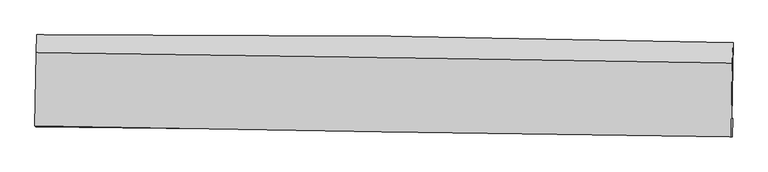
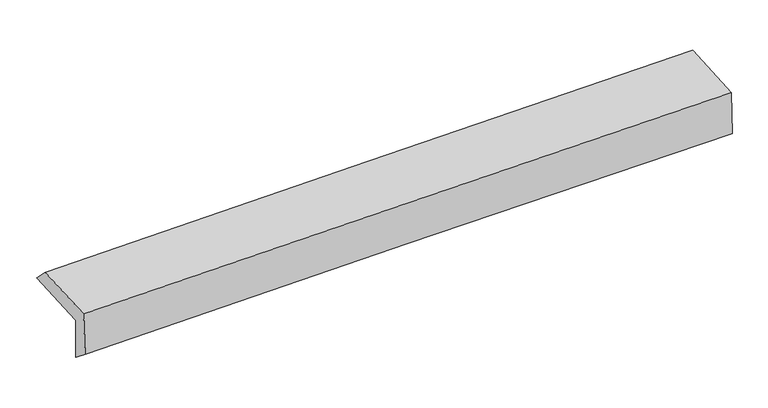
"""IFC4 building model written with IfcOpenShell, lengths in millimetres: proxy geometry."""

from ifc_helpers import new_model, si_unit, frame, origin, place, context, project, spatial, source, transform, mapped, element, save
from ifc_brep_helpers import plane_surface, spline_curve, spline_surface, advanced_brep


def generic_models_a09acf34(model_context):
    return source(origin(), model_context, "Body", "AdvancedBrep", [
        advanced_brep(
        [(-3024.6283547, -1762.0329197, 1939.7903034), (-3014.8250103, -1105.6883013, 1962.3976585), (3013.0374713, -1172.3923056, 2112.116217), (3002.767683, -1837.5483518, 2104.4961885), (-3016.0735173, -1744.7401391, 1561.5082108), (3011.8022233, -1829.7004082, 1697.539961), (-3021.3819741, -1905.4720931, 1688.7585046), (3006.4988295, -1989.399672, 1825.2990046), (-3029.9927556, -1896.4606674, 2088.443352), (2997.4113856, -1993.3731931, 2237.447347), (-3020.507902, -1260.8649235, 2110.7278437), (3006.8688345, -1349.2304793, 2267.1075551)],
        [
            (0, 1),
            (1, 2, spline_curve(3, [(-3014.8250103, -1105.6883013, 1962.3976585), (-2009.83222851, -1102.521241849, 1981.511881175), (-1005.012489264, -1106.496416428, 2003.545584269), (1004.275002656, -1128.731168676, 2053.451804773), (2008.742757489, -1146.99066188, 2081.324287757), (3013.0374713, -1172.3923056, 2112.116217)], [4, 2, 4], [0.0, 9.892114727291279, 19.784171355057484])),
            (2, 3),
            (3, 0, spline_curve(3, [(3002.767683, -1837.5483518, 2104.4961885), (1998.510656606, -1821.058748106, 2065.597373948), (994.100615602, -1806.521006254, 2032.422499839), (-1015.031395153, -1781.349172425, 1977.520470732), (-2019.753366893, -1770.715103826, 1955.793383451), (-3024.6283547, -1762.0329197, 1939.7903034)], [4, 2, 4], [0.0, 9.892056627766205, 19.784171355057484])),
            (4, 0),
            (3, 5),
            (5, 4, spline_curve(3, [(3011.8022233, -1829.7004082, 1697.539961), (2007.305345612, -1808.488390611, 1672.978199733), (1002.735403686, -1790.802369715, 1649.361370525), (-1006.556508707, -1762.482238518, 1604.017442914), (-2011.278480748, -1751.848169743, 1582.290355163), (-3016.0735173, -1744.7401391, 1561.5082108)], [4, 2, 4], [0.0, 9.89188478061043, 19.783827659736616])),
            (6, 4),
            (5, 7),
            (7, 6, spline_curve(3, [(3006.4988295, -1989.399672, 1825.2990046), (2001.99942027, -1968.70399905, 1800.482868744), (997.42779076, -1951.362208345, 1776.696456252), (-1011.865809586, -1923.386309099, 1731.18294429), (-2016.587781146, -1912.752240432, 1709.45585674), (-3021.3819741, -1905.4720931, 1688.7585046)], [4, 2, 4], [0.0, 9.891793629447317, 19.783645356875027])),
            (8, 6),
            (7, 9),
            (9, 8, spline_curve(3, [(2997.4113856, -1993.3731931, 2237.447347), (1992.740425618, -1979.186739752, 2215.801311262), (988.122741956, -1964.017495692, 2192.56133475), (-1021.011972716, -1931.713332042, 2142.893355392), (-2025.529002525, -1914.578400787, 2116.465333139), (-3029.9927556, -1896.4606674, 2088.443352)], [4, 2, 4], [0.0, 9.891729957912741, 19.78351801343191])),
            (10, 8),
            (9, 11),
            (11, 10, spline_curve(3, [(3006.8688345, -1349.2304793, 2267.1075551), (2002.306439886, -1332.747334959, 2242.149325938), (997.745323041, -1317.141985313, 2216.638608951), (-1011.380255574, -1287.686789987, 2164.512044771), (-2015.944717684, -1273.836953951, 2137.896191802), (-3020.507902, -1260.8649235, 2110.7278437)], [4, 2, 4], [0.0, 9.891767623339236, 19.783593344506123])),
            (1, 10),
            (11, 2),
        ],
        [
            spline_surface(3, 3, [[(-3024.6283547, -1762.0329197, 1939.7903034), (-2019.7533668, -1770.715103695, 1955.793383309), (-1015.031395165, -1781.349172524, 1977.520470824), (994.100615613, -1806.521006155, 2032.422499747), (1998.510656527, -1821.05874802, 2065.59737396), (3002.767683, -1837.5483518, 2104.4961885)], [(-3021.360573217, -1543.25138025, 1947.326088448), (-2016.446320639, -1547.983816446, 1964.366215934), (-1011.691759874, -1556.398253852, 1986.19550864), (997.492077916, -1580.591060266, 2039.43226807), (2001.921356789, -1596.369386014, 2070.839678577), (3006.190945751, -1615.829669731, 2107.036198008)], [(-3018.092791783, -1324.46984075, 1954.861873452), (-2013.139274525, -1325.252529146, 1972.939048514), (-1008.352124502, -1331.447335233, 1994.870546484), (1000.883540299, -1354.661114431, 2046.442036419), (2005.332057097, -1371.680024015, 2076.08198317), (3009.614208549, -1394.110987669, 2109.576207492)], [(-3014.8250103, -1105.6883013, 1962.3976585), (-2009.832228364, -1102.521241897, 1981.511881139), (-1005.01248921, -1106.496416561, 2003.545584301), (1004.275002602, -1128.731168543, 2053.451804741), (2008.742757359, -1146.990662009, 2081.324287787), (3013.0374713, -1172.3923056, 2112.116217)]], [4, 4], [4, 2, 4], [0.0, 2.22049114624965], [0.0, 9.892114727291279, 19.784171355057484]),
            spline_surface(3, 3, [[(-3016.0735173, -1744.7401391, 1561.5082108), (-2011.278480585, -1751.848169722, 1582.290355292), (-1006.55650885, -1762.482238551, 1604.017442807), (1002.735403829, -1790.802369683, 1649.361370633), (2007.30534562, -1808.488390528, 1672.978199865), (3011.8022233, -1829.7004082, 1697.539961)], [(-3018.925129773, -1750.5043993, 1687.602241668), (-2014.103442663, -1758.137147713, 1706.791364632), (-1009.381470928, -1768.771216542, 1728.518452147), (999.857141117, -1796.041915173, 1777.048413672), (2004.373782587, -1812.678509682, 1803.851257891), (3008.790709865, -1832.31638939, 1833.192036827)], [(-3021.776742227, -1756.2686595, 1813.696272532), (-2016.928404722, -1764.426125704, 1831.292373969), (-1012.206433087, -1775.060194533, 1853.019461483), (996.978878325, -1801.281460664, 1904.735456708), (2001.442219559, -1816.868628866, 1934.724315934), (3005.779196435, -1834.93237061, 1968.844112673)], [(-3024.6283547, -1762.0329197, 1939.7903034), (-2019.7533668, -1770.715103695, 1955.793383309), (-1015.031395165, -1781.349172524, 1977.520470824), (994.100615613, -1806.521006155, 2032.422499747), (1998.510656527, -1821.05874802, 2065.59737396), (3002.767683, -1837.5483518, 2104.4961885)]], [4, 4], [4, 2, 4], [0.0, 1.2426959522853034], [0.0, 9.891942879126185, 19.783827659736616]),
            spline_surface(3, 3, [[(-3021.3819741, -1905.4720931, 1688.7585046), (-2016.587781228, -1912.752240276, 1709.455856713), (-1011.865809592, -1923.386309205, 1731.182944228), (997.427790766, -1951.36220824, 1776.696456314), (2001.999420318, -1968.703998935, 1800.482868819), (3006.4988295, -1989.399672, 1825.2990046)], [(-3019.612488488, -1851.894775092, 1646.341740002), (-2014.818014335, -1859.117550083, 1667.067356242), (-1010.096042699, -1869.751619012, 1688.794443756), (999.196995099, -1897.842262079, 1734.251427756), (2003.768062094, -1915.298796133, 1757.981312507), (3008.266627443, -1936.166584067, 1782.712656739)], [(-3017.843002912, -1798.317457108, 1603.924975398), (-2013.048247478, -1805.482859915, 1624.678855764), (-1008.326275743, -1816.116928743, 1646.405943279), (1000.966199496, -1844.322315843, 1691.806399192), (2005.536703843, -1861.89359333, 1715.479756178), (3010.034425357, -1882.933496133, 1740.126308861)], [(-3016.0735173, -1744.7401391, 1561.5082108), (-2011.278480585, -1751.848169722, 1582.290355292), (-1006.55650885, -1762.482238551, 1604.017442807), (1002.735403829, -1790.802369683, 1649.361370633), (2007.30534562, -1808.488390528, 1672.978199865), (3011.8022233, -1829.7004082, 1697.539961)]], [4, 4], [4, 2, 4], [0.0, 0.6728168232375675], [0.0, 9.89185172742771, 19.783645356875027]),
            spline_surface(3, 3, [[(-3029.9927556, -1896.4606674, 2088.443352), (-2025.529002642, -1914.578400726, 2116.465333267), (-1021.011972557, -1931.713332018, 2142.893355259), (988.122741797, -1964.017495715, 2192.561334883), (1992.740425457, -1979.18673964, 2215.801311196), (2997.4113856, -1993.3731931, 2237.447347)], [(-3027.122495111, -1899.464475971, 1955.215069533), (-2022.548595515, -1913.96968058, 1980.795507749), (-1017.963251571, -1928.937657733, 2005.65655157), (991.224424784, -1959.799066543, 2053.939708681), (1995.826757078, -1975.692492739, 2077.36183038), (3000.440533568, -1992.048686068, 2100.064566176)], [(-3024.252234589, -1902.468284529, 1821.986787067), (-2019.568188355, -1913.360960421, 1845.125682232), (-1014.914530578, -1926.161983489, 1868.419747917), (994.326107779, -1955.580637412, 1915.318082515), (1998.913088696, -1972.198245836, 1938.922349636), (3003.469681532, -1990.724179032, 1962.681785424)], [(-3021.3819741, -1905.4720931, 1688.7585046), (-2016.587781228, -1912.752240276, 1709.455856713), (-1011.865809592, -1923.386309205, 1731.182944228), (997.427790766, -1951.36220824, 1776.696456314), (2001.999420318, -1968.703998935, 1800.482868819), (3006.4988295, -1989.399672, 1825.2990046)]], [4, 4], [4, 2, 4], [0.0, 1.3583445081625587], [0.0, 9.891788055519168, 19.78351801343191]),
            spline_surface(3, 3, [[(-3020.507902, -1260.8649235, 2110.7278437), (-2015.94471765, -1273.83695402, 2137.896191645), (-1011.380255689, -1287.686789869, 2164.512044869), (997.745323156, -1317.141985431, 2216.638608853), (2002.306440035, -1332.747334881, 2242.149326081), (3006.8688345, -1349.2304793, 2267.1075551)], [(-3023.669519875, -1472.730171451, 2103.299679815), (-2019.139479322, -1487.417436239, 2130.752572201), (-1014.590827965, -1502.362303931, 2157.305815013), (994.53779605, -1532.767155538, 2208.612850877), (1999.117768498, -1548.227136476, 2233.366654474), (3003.716351523, -1563.944717242, 2257.220819088)], [(-3026.831137725, -1684.595419449, 2095.871515885), (-2022.33424097, -1700.997918507, 2123.608952712), (-1017.801400281, -1717.037817956, 2150.099585115), (991.330268903, -1748.392325608, 2200.587092859), (1995.929096993, -1763.706938045, 2224.583982803), (3000.563868577, -1778.658955158, 2247.334083012)], [(-3029.9927556, -1896.4606674, 2088.443352), (-2025.529002642, -1914.578400726, 2116.465333267), (-1021.011972557, -1931.713332018, 2142.893355259), (988.122741797, -1964.017495715, 2192.561334883), (1992.740425457, -1979.18673964, 2215.801311196), (2997.4113856, -1993.3731931, 2237.447347)]], [4, 4], [4, 2, 4], [0.0, 2.1191831701724264], [0.0, 9.891825721166887, 19.783593344506123]),
            spline_surface(3, 3, [[(-3014.8250103, -1105.6883013, 1962.3976585), (-2009.832228364, -1102.521241897, 1981.511881139), (-1005.01248921, -1106.496416561, 2003.545584301), (1004.275002602, -1128.731168543, 2053.451804741), (2008.742757359, -1146.990662009, 2081.324287787), (3013.0374713, -1172.3923056, 2112.116217)], [(-3016.719307535, -1157.413842037, 2011.841053534), (-2011.869724795, -1159.626479274, 2033.639984608), (-1007.135078026, -1166.893207658, 2057.201071161), (1002.098442797, -1191.534774166, 2107.847406116), (2006.597318268, -1208.909552969, 2134.932633881), (3010.98125905, -1231.338363502, 2163.779996363)], [(-3018.613604765, -1209.139382763, 2061.284448666), (-2013.907221219, -1216.731716642, 2085.768088175), (-1009.257666873, -1227.289998773, 2110.856558009), (999.921882961, -1254.338379807, 2162.243007478), (2004.451879126, -1270.828443922, 2188.540979987), (3008.92504675, -1290.284421398, 2215.443775737)], [(-3020.507902, -1260.8649235, 2110.7278437), (-2015.94471765, -1273.83695402, 2137.896191645), (-1011.380255689, -1287.686789869, 2164.512044869), (997.745323156, -1317.141985431, 2216.638608853), (2002.306440035, -1332.747334881, 2242.149326081), (3006.8688345, -1349.2304793, 2267.1075551)]], [4, 4], [4, 2, 4], [0.0, 0.806724245191298], [0.0, 9.89194640237929, 19.78383470622213]),
            plane_surface(frame((3006.3977379, -1695.2740683, 2040.6677122), z_axis=(0.999637346597006, -0.01568483735655294, 0.021889750240607613), x_axis=(0.02204258228044801, 0.009638207031391939, -0.9997105728817866))),
            plane_surface(frame((-3021.234919, -1612.543174, 1891.9376455), z_axis=(-0.9996373465969971, 0.015684837357117343, -0.021889750240599526), x_axis=(-0.01492576085603278, -0.9992959917960922, -0.03442008778508577))),
        ],
        [
            (0, [[1, 2, 3, 4]]),
            (1, [[5, -4, 6, 7]]),
            (2, [[8, -7, 9, 10]]),
            (3, [[11, -10, 12, 13]]),
            (4, [[14, -13, 15, 16]]),
            (5, [[17, -16, 18, -2]]),
            (6, [[-12, -9, -6, -3, -18, -15]]),
            (7, [[-1, -5, -8, -11, -14, -17]]),
        ],
    ),
    ])


if __name__ == "__main__":
    model = new_model("IFC4")
    model_context = context("Model", 3, world=origin())
    ifc_project = project(units=[si_unit("LENGTHUNIT", "METRE", prefix="MILLI")], contexts=[model_context])
    site = spatial("IfcSite", under=ifc_project)
    building = spatial("IfcBuilding", under=site)
    placement = place(None, origin())
    generic_models_shape = generic_models_a09acf34(model_context)
    element("IfcBuildingElementProxy", 1, Name="Generic Models", at=placement, inside=building, context=model_context, shape_type="MappedRepresentation", body=[
        mapped(generic_models_shape, transform((0.0, 0.0, 0.0), x_axis=(1.0, 0.0, 0.0), y_axis=(0.0, 1.0, 0.0), z_axis=(0.0, 0.0, 1.0))),
    ])
    save(model, "model.ifc")
